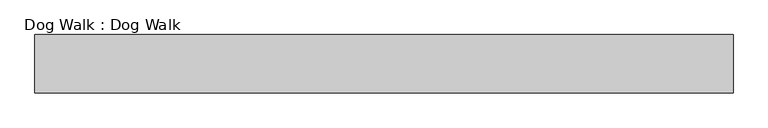
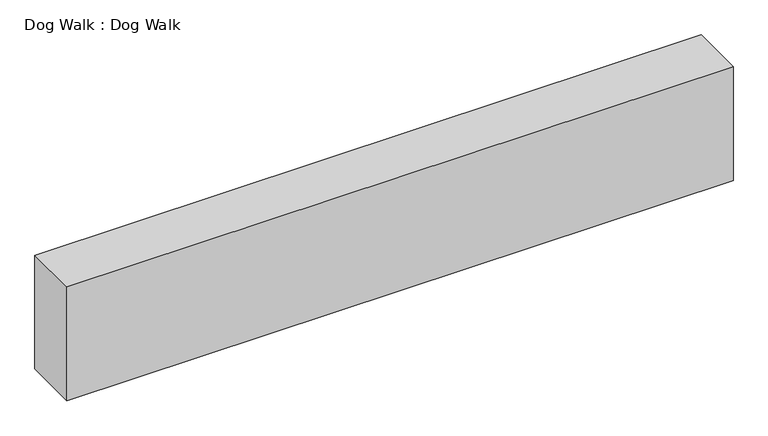
"""IFC4 building model written with IfcOpenShell, lengths in millimetres: proxy geometry, Dog Walk : Dog Walk."""

import ifcopenshell
import ifcopenshell.guid

model = None  # the IFC model being written
_history = None  # IfcOwnerHistory: only IFC2X3 demands one
_inside = {}  # id of a spatial element -> (the spatial element, [elements in it])
_under = {}  # id of a project, library or spatial element -> (it, [spatial elements below it])
_declared = {}  # id of a project -> (the project, [libraries it declares])
_typed = {}  # id of a type object -> (the type object, [elements of that type])
_made_of = {}  # id of a material, layer set ... -> (it, [elements and type objects made of it])


def new_model(schema):
    """Start an empty IFC model of exactly this schema.

    Asked for "IFC4X3", IfcOpenShell would pick the latest addendum, in which some entities
    have other attributes; the version numbers below select the first issue.
    IFC2X3 requires an IfcOwnerHistory on every rooted entity: one is made here for all.
    """
    global model, _history
    if schema == "IFC4X3":
        model = ifcopenshell.file(schema_version=(4, 3, 0, 0))
    else:
        model = ifcopenshell.file(schema=schema)
    _inside.clear()
    _under.clear()
    _declared.clear()
    _typed.clear()
    _made_of.clear()
    _history = None
    if model.schema == "IFC2X3":
        org = make("IfcOrganization", Name="unknown")
        user = make(
            "IfcPersonAndOrganization",
            ThePerson=make("IfcPerson", FamilyName="unknown"),
            TheOrganization=org,
        )
        app = make(
            "IfcApplication",
            ApplicationDeveloper=org,
            Version="unknown",
            ApplicationFullName="unknown",
            ApplicationIdentifier="unknown",
        )
        _history = make(
            "IfcOwnerHistory",
            OwningUser=user,
            OwningApplication=app,
            ChangeAction="ADDED",
            CreationDate=0,
        )
    return model


def make(cls, **values):
    """One entity of the class cls with the attributes given. An attribute that is None is left unset."""
    return model.create_entity(
        cls, **{name: value for name, value in values.items() if value is not None}
    )


def rooted(cls, **values):
    """An entity with a GlobalId (a new one), such as an element, a storey or a relation."""
    return make(cls, GlobalId=ifcopenshell.guid.new(), OwnerHistory=_history, **values)


def si_unit(unit_type, name, prefix=None):
    """IfcSIUnit, for example si_unit("LENGTHUNIT", "METRE", prefix="MILLI")."""
    return make("IfcSIUnit", UnitType=unit_type, Prefix=prefix, Name=name)


def assignment(units):
    """IfcUnitAssignment: the units of a project."""
    return None if units is None else make("IfcUnitAssignment", Units=units)


def point(xyz):
    """IfcCartesianPoint."""
    return None if xyz is None else make("IfcCartesianPoint", Coordinates=xyz)


def direction(xyz):
    """IfcDirection."""
    return None if xyz is None else make("IfcDirection", DirectionRatios=xyz)


def frame(location, z_axis=None, x_axis=None):
    """IfcAxis2Placement3D, a coordinate frame: its origin and axes. An axis left out is left unset."""
    return make(
        "IfcAxis2Placement3D",
        Location=point(location),
        Axis=direction(z_axis),
        RefDirection=direction(x_axis),
    )


def origin():
    """The frame at (0, 0, 0) with its axes left unset."""
    return frame((0.0, 0.0, 0.0))


def origin_with_axes():
    """The frame at (0, 0, 0) with the z axis (0, 0, 1) and the x axis (1, 0, 0) written out."""
    return frame((0.0, 0.0, 0.0), z_axis=(0.0, 0.0, 1.0), x_axis=(1.0, 0.0, 0.0))


def place(relative_to, where):
    """IfcLocalPlacement: puts the frame where relative to a parent placement (None: the world)."""
    return make(
        "IfcLocalPlacement", PlacementRelTo=relative_to, RelativePlacement=where
    )


def context(
    kind, dimensions, precision=None, world=None, true_north=None, identifier=None
):
    """IfcGeometricRepresentationContext, for example the 3D "Model" context."""
    return make(
        "IfcGeometricRepresentationContext",
        ContextIdentifier=identifier,
        ContextType=kind,
        CoordinateSpaceDimension=dimensions,
        Precision=precision,
        WorldCoordinateSystem=world,
        TrueNorth=true_north,
    )


def project(units=None, contexts=None):
    """IfcProject with its units and contexts."""
    return rooted(
        "IfcProject",
        Name="project",
        RepresentationContexts=contexts,
        UnitsInContext=assignment(units),
    )


def spatial(cls, under=None, at=None, **own):
    """A site, building, storey or space (cls), placed at a placement, below another one or the project."""
    s = rooted(cls, ObjectPlacement=at, **own)
    if under is not None:
        _under.setdefault(under.id(), (under, []))[1].append(s)
    return s


def polyline(points):
    """IfcPolyline through the points."""
    return make("IfcPolyline", Points=[point(p) for p in points])


def outline(outer, holes=None, kind="AREA"):
    """IfcArbitraryClosedProfileDef: a profile drawn as a closed curve; with holes, ...WithVoids."""
    if holes is None:
        return make("IfcArbitraryClosedProfileDef", ProfileType=kind, OuterCurve=outer)
    return make(
        "IfcArbitraryProfileDefWithVoids",
        ProfileType=kind,
        OuterCurve=outer,
        InnerCurves=holes,
    )


def extrude(swept, where, along, depth):
    """IfcExtrudedAreaSolid: the profile swept, set in the frame where, extruded along a direction by depth."""
    return make(
        "IfcExtrudedAreaSolid",
        SweptArea=swept,
        Position=where,
        ExtrudedDirection=direction(along),
        Depth=depth,
    )


def shape(context_of_items, identifier, shape_type, items):
    """IfcShapeRepresentation: the items that make up one representation, for example the "Body"."""
    return make(
        "IfcShapeRepresentation",
        ContextOfItems=context_of_items,
        RepresentationIdentifier=identifier,
        RepresentationType=shape_type,
        Items=items,
    )


def source(mapping_origin, context_of_items, identifier, shape_type, items):
    """IfcRepresentationMap: a shape defined once, which mapped items show again and again."""
    return make(
        "IfcRepresentationMap",
        MappingOrigin=mapping_origin,
        MappedRepresentation=shape(context_of_items, identifier, shape_type, items),
    )


def transform(
    local_origin,
    x_axis=None,
    y_axis=None,
    z_axis=None,
    scale=None,
    scale2=None,
    scale3=None,
    uniform=True,
):
    """IfcCartesianTransformationOperator3D, or its non-uniform kind. x_axis, y_axis, z_axis: its Axis1, 2, 3."""
    if uniform:
        return make(
            "IfcCartesianTransformationOperator3D",
            Axis1=direction(x_axis),
            Axis2=direction(y_axis),
            LocalOrigin=point(local_origin),
            Scale=scale,
            Axis3=direction(z_axis),
        )
    return make(
        "IfcCartesianTransformationOperator3DnonUniform",
        Axis1=direction(x_axis),
        Axis2=direction(y_axis),
        LocalOrigin=point(local_origin),
        Scale=scale,
        Axis3=direction(z_axis),
        Scale2=scale2,
        Scale3=scale3,
    )


def mapped(mapping_source, mapping_target):
    """IfcMappedItem: shows the shape of a source again, moved by a transform."""
    return make(
        "IfcMappedItem", MappingSource=mapping_source, MappingTarget=mapping_target
    )


def made_of(thing, what):
    """Note that an element or type object is made of a material, layer set ...; save() writes the relation."""
    if what is not None:
        _made_of.setdefault(what.id(), (what, []))[1].append(thing)
    return thing


def element(
    cls,
    number,
    at=None,
    inside=None,
    cuts=None,
    type_object=None,
    material=None,
    context=None,
    identifier="Body",
    shape_type=None,
    held_by="IfcProductDefinitionShape",
    body=None,
    shapes=None,
    **own,
):
    """One element of the class cls, such as IfcWall. Its Tag is "e" and its number.

    at: its placement. inside: the storey or other place that contains it. cuts: it is an
    opening in that element (IfcRelVoidsElement). A single representation is given by context,
    identifier, shape_type and body (its items); several are given by shapes. held_by: the class
    of the entity that holds the representations. save() writes the other relations.
    """
    e = rooted(cls, Tag="e%d" % number, ObjectPlacement=at, **own)
    if body is not None:
        shapes = [shape(context, identifier, shape_type, body)]
    if shapes is not None:
        e.Representation = make(held_by, Representations=shapes)
    if inside is not None:
        _inside.setdefault(inside.id(), (inside, []))[1].append(e)
    if cuts is not None:
        rooted(
            "IfcRelVoidsElement", RelatingBuildingElement=cuts, RelatedOpeningElement=e
        )
    if type_object is not None:
        _typed.setdefault(type_object.id(), (type_object, []))[1].append(e)
    return made_of(e, material)


def aggregate(whole, parts):
    """IfcRelAggregates: a whole, such as a stair, and the parts it consists of."""
    return rooted("IfcRelAggregates", RelatingObject=whole, RelatedObjects=parts)


def save(model, path):
    """Write the relations noted so far, then the file.

    IfcRelAggregates (storeys below a building ...), IfcRelContainedInSpatialStructure (elements
    in a storey), IfcRelDefinesByType, IfcRelAssociatesMaterial and IfcRelDeclares: one each for
    every whole, place, type object, material and project.
    """
    for whole, parts in _under.values():
        aggregate(whole, parts)
    for where, things in _inside.values():
        rooted(
            "IfcRelContainedInSpatialStructure",
            RelatedElements=things,
            RelatingStructure=where,
        )
    for kind, things in _typed.values():
        rooted("IfcRelDefinesByType", RelatedObjects=things, RelatingType=kind)
    for what, things in _made_of.values():
        rooted("IfcRelAssociatesMaterial", RelatedObjects=things, RelatingMaterial=what)
    for by, libraries in _declared.values():
        rooted("IfcRelDeclares", RelatingContext=by, RelatedDefinitions=libraries)
    model.write(path)


def dog_walk_dog_walk_13bff2fb(model_context):
    return source(origin(), model_context, "Body", "SweptSolid", [
        extrude(outline(polyline([(263094.5993742, 37938.7183603), (263094.5993742, 37633.9183603), (259436.9993742, 37633.9183603), (259436.9993742, 37938.7183603), (263094.5993742, 37938.7183603)])), origin_with_axes(), (0.0, 0.0, 1.0), 660.4),
    ])


if __name__ == "__main__":
    model = new_model("IFC4")
    model_context = context("Model", 3, world=origin())
    ifc_project = project(units=[si_unit("LENGTHUNIT", "METRE", prefix="MILLI")], contexts=[model_context])
    site = spatial("IfcSite", under=ifc_project)
    building = spatial("IfcBuilding", under=site)
    placement = place(None, origin())
    dog_walk_dog_walk_shape = dog_walk_dog_walk_13bff2fb(model_context)
    element("IfcBuildingElementProxy", 1, Name="Dog Walk : Dog Walk", ObjectType="Dog Walk : Dog Walk", at=placement, inside=building, context=model_context, shape_type="MappedRepresentation", body=[
        mapped(dog_walk_dog_walk_shape, transform((0.0, 0.0, 0.0), x_axis=(1.0, 0.0, 0.0), y_axis=(0.0, 1.0, 0.0), z_axis=(0.0, 0.0, 1.0))),
    ])
    save(model, "model.ifc")
